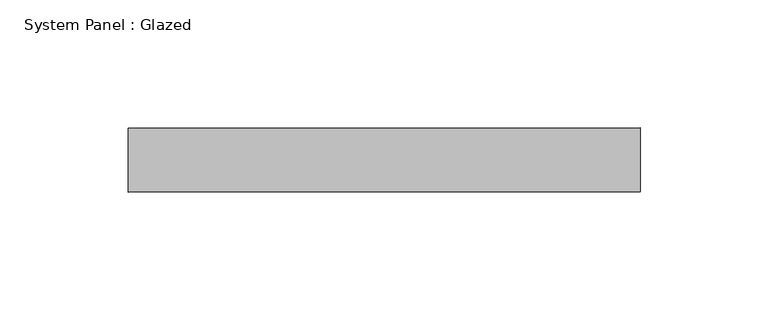
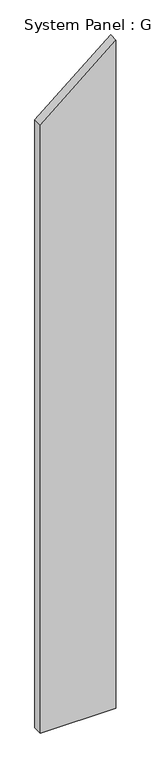
"""IFC4 building model written with IfcOpenShell, lengths in millimetres: plate geometry, System Panel : Glazed."""

from ifc_helpers import new_model, si_unit, frame, origin, place, context, project, spatial, polyline, outline, extrude, source, transform, mapped, element, save


def system_panel_glazed_e3d2699c(model_context):
    return source(origin(), model_context, "Body", "SweptSolid", [
        extrude(outline(polyline([(0.0, -100.0), (0.0, 100.0), (1866.7778611, 100.0), (1698.9579348, -100.0), (0.0, -100.0)])), frame((0.0, 24.5, 0.0), z_axis=(0.0, 1.0, 0.0), x_axis=(0.0, 0.0, 1.0)), (0.0, 0.0, 1.0), 25.0),
    ])


if __name__ == "__main__":
    model = new_model("IFC4")
    model_context = context("Model", 3, world=origin())
    ifc_project = project(units=[si_unit("LENGTHUNIT", "METRE", prefix="MILLI")], contexts=[model_context])
    site = spatial("IfcSite", under=ifc_project)
    building = spatial("IfcBuilding", under=site)
    placement = place(None, origin())
    system_panel_glazed_shape = system_panel_glazed_e3d2699c(model_context)
    element("IfcPlate", 1, ObjectType="System Panel : Glazed", at=placement, inside=building, context=model_context, shape_type="MappedRepresentation", body=[
        mapped(system_panel_glazed_shape, transform((0.0, 0.0, 0.0), x_axis=(1.0, 0.0, 0.0), y_axis=(0.0, 1.0, 0.0), z_axis=(0.0, 0.0, 1.0))),
    ])
    save(model, "model.ifc")
